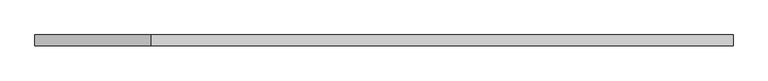
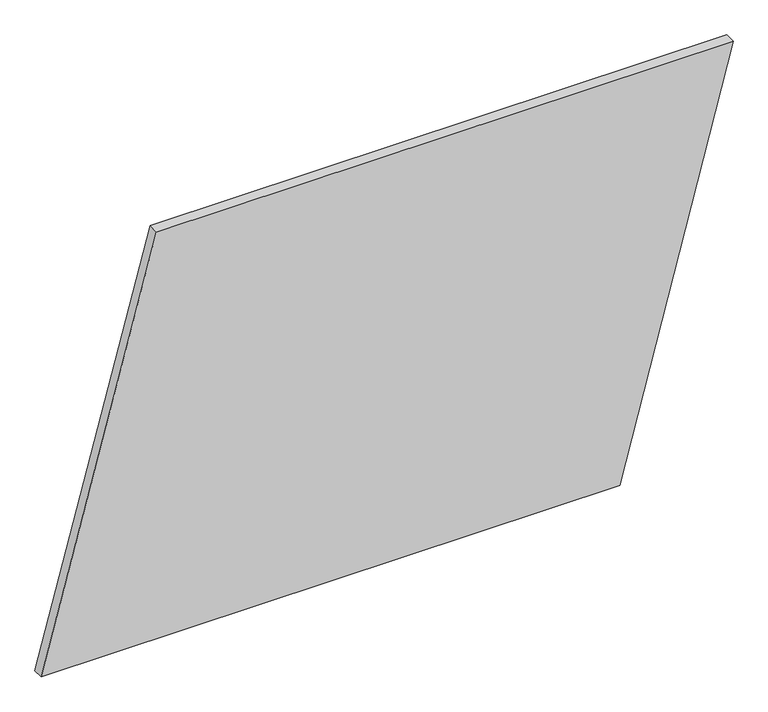
"""IFC4 building model written with IfcOpenShell, lengths in millimetres: plate geometry."""

from ifc_helpers import new_model, si_unit, frame, origin, place, context, project, spatial, polyline, outline, extrude, source, transform, mapped, element, save


def plate_2aa8646c(model_context):
    return source(origin(), model_context, "Body", "SweptSolid", [
        extrude(outline(polyline([(0.0, -803.9797931), (0.0, 541.0631166), (1000.0, 803.9797931), (1000.0, -536.0306007), (0.0, -803.9797931)])), frame((0.0, 24.5, 0.0), z_axis=(0.0, 1.0, 0.0), x_axis=(0.0, 0.0, 1.0)), (0.0, 0.0, 1.0), 25.0),
    ])


if __name__ == "__main__":
    model = new_model("IFC4")
    model_context = context("Model", 3, world=origin())
    ifc_project = project(units=[si_unit("LENGTHUNIT", "METRE", prefix="MILLI")], contexts=[model_context])
    site = spatial("IfcSite", under=ifc_project)
    building = spatial("IfcBuilding", under=site)
    placement = place(None, origin())
    plate_shape = plate_2aa8646c(model_context)
    element("IfcPlate", 1, at=placement, inside=building, context=model_context, shape_type="MappedRepresentation", body=[
        mapped(plate_shape, transform((0.0, 0.0, 0.0), x_axis=(1.0, 0.0, 0.0), y_axis=(0.0, 1.0, 0.0), z_axis=(0.0, 0.0, 1.0))),
    ])
    save(model, "model.ifc")
